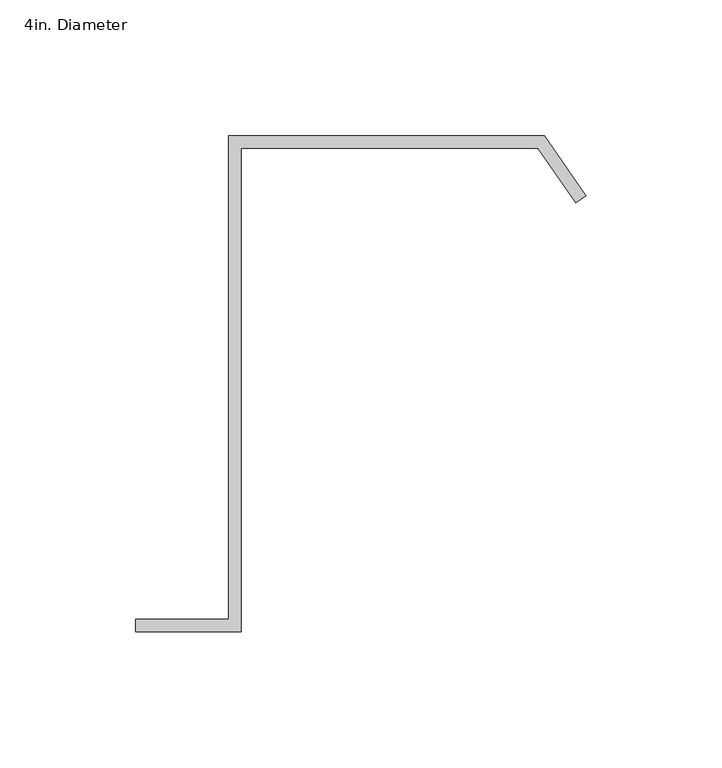
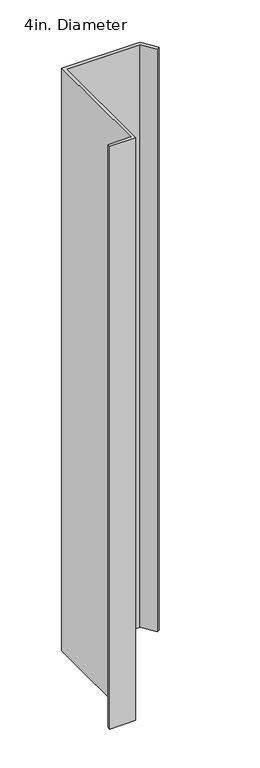
"""IFC4 building model written with IfcOpenShell, lengths in millimetres: proxy geometry, 4in. Diameter."""

import ifcopenshell
import ifcopenshell.guid

model = None  # the IFC model being written
_history = None  # IfcOwnerHistory: only IFC2X3 demands one
_inside = {}  # id of a spatial element -> (the spatial element, [elements in it])
_under = {}  # id of a project, library or spatial element -> (it, [spatial elements below it])
_declared = {}  # id of a project -> (the project, [libraries it declares])
_typed = {}  # id of a type object -> (the type object, [elements of that type])
_made_of = {}  # id of a material, layer set ... -> (it, [elements and type objects made of it])


def new_model(schema):
    """Start an empty IFC model of exactly this schema.

    Asked for "IFC4X3", IfcOpenShell would pick the latest addendum, in which some entities
    have other attributes; the version numbers below select the first issue.
    IFC2X3 requires an IfcOwnerHistory on every rooted entity: one is made here for all.
    """
    global model, _history
    if schema == "IFC4X3":
        model = ifcopenshell.file(schema_version=(4, 3, 0, 0))
    else:
        model = ifcopenshell.file(schema=schema)
    _inside.clear()
    _under.clear()
    _declared.clear()
    _typed.clear()
    _made_of.clear()
    _history = None
    if model.schema == "IFC2X3":
        org = make("IfcOrganization", Name="unknown")
        user = make(
            "IfcPersonAndOrganization",
            ThePerson=make("IfcPerson", FamilyName="unknown"),
            TheOrganization=org,
        )
        app = make(
            "IfcApplication",
            ApplicationDeveloper=org,
            Version="unknown",
            ApplicationFullName="unknown",
            ApplicationIdentifier="unknown",
        )
        _history = make(
            "IfcOwnerHistory",
            OwningUser=user,
            OwningApplication=app,
            ChangeAction="ADDED",
            CreationDate=0,
        )
    return model


def make(cls, **values):
    """One entity of the class cls with the attributes given. An attribute that is None is left unset."""
    return model.create_entity(
        cls, **{name: value for name, value in values.items() if value is not None}
    )


def rooted(cls, **values):
    """An entity with a GlobalId (a new one), such as an element, a storey or a relation."""
    return make(cls, GlobalId=ifcopenshell.guid.new(), OwnerHistory=_history, **values)


def si_unit(unit_type, name, prefix=None):
    """IfcSIUnit, for example si_unit("LENGTHUNIT", "METRE", prefix="MILLI")."""
    return make("IfcSIUnit", UnitType=unit_type, Prefix=prefix, Name=name)


def assignment(units):
    """IfcUnitAssignment: the units of a project."""
    return None if units is None else make("IfcUnitAssignment", Units=units)


def point(xyz):
    """IfcCartesianPoint."""
    return None if xyz is None else make("IfcCartesianPoint", Coordinates=xyz)


def direction(xyz):
    """IfcDirection."""
    return None if xyz is None else make("IfcDirection", DirectionRatios=xyz)


def frame(location, z_axis=None, x_axis=None):
    """IfcAxis2Placement3D, a coordinate frame: its origin and axes. An axis left out is left unset."""
    return make(
        "IfcAxis2Placement3D",
        Location=point(location),
        Axis=direction(z_axis),
        RefDirection=direction(x_axis),
    )


def origin():
    """The frame at (0, 0, 0) with its axes left unset."""
    return frame((0.0, 0.0, 0.0))


def origin_with_axes():
    """The frame at (0, 0, 0) with the z axis (0, 0, 1) and the x axis (1, 0, 0) written out."""
    return frame((0.0, 0.0, 0.0), z_axis=(0.0, 0.0, 1.0), x_axis=(1.0, 0.0, 0.0))


def place(relative_to, where):
    """IfcLocalPlacement: puts the frame where relative to a parent placement (None: the world)."""
    return make(
        "IfcLocalPlacement", PlacementRelTo=relative_to, RelativePlacement=where
    )


def context(
    kind, dimensions, precision=None, world=None, true_north=None, identifier=None
):
    """IfcGeometricRepresentationContext, for example the 3D "Model" context."""
    return make(
        "IfcGeometricRepresentationContext",
        ContextIdentifier=identifier,
        ContextType=kind,
        CoordinateSpaceDimension=dimensions,
        Precision=precision,
        WorldCoordinateSystem=world,
        TrueNorth=true_north,
    )


def project(units=None, contexts=None):
    """IfcProject with its units and contexts."""
    return rooted(
        "IfcProject",
        Name="project",
        RepresentationContexts=contexts,
        UnitsInContext=assignment(units),
    )


def spatial(cls, under=None, at=None, **own):
    """A site, building, storey or space (cls), placed at a placement, below another one or the project."""
    s = rooted(cls, ObjectPlacement=at, **own)
    if under is not None:
        _under.setdefault(under.id(), (under, []))[1].append(s)
    return s


def polyline(points):
    """IfcPolyline through the points."""
    return make("IfcPolyline", Points=[point(p) for p in points])


def outline(outer, holes=None, kind="AREA"):
    """IfcArbitraryClosedProfileDef: a profile drawn as a closed curve; with holes, ...WithVoids."""
    if holes is None:
        return make("IfcArbitraryClosedProfileDef", ProfileType=kind, OuterCurve=outer)
    return make(
        "IfcArbitraryProfileDefWithVoids",
        ProfileType=kind,
        OuterCurve=outer,
        InnerCurves=holes,
    )


def extrude(swept, where, along, depth):
    """IfcExtrudedAreaSolid: the profile swept, set in the frame where, extruded along a direction by depth."""
    return make(
        "IfcExtrudedAreaSolid",
        SweptArea=swept,
        Position=where,
        ExtrudedDirection=direction(along),
        Depth=depth,
    )


def shape(context_of_items, identifier, shape_type, items):
    """IfcShapeRepresentation: the items that make up one representation, for example the "Body"."""
    return make(
        "IfcShapeRepresentation",
        ContextOfItems=context_of_items,
        RepresentationIdentifier=identifier,
        RepresentationType=shape_type,
        Items=items,
    )


def source(mapping_origin, context_of_items, identifier, shape_type, items):
    """IfcRepresentationMap: a shape defined once, which mapped items show again and again."""
    return make(
        "IfcRepresentationMap",
        MappingOrigin=mapping_origin,
        MappedRepresentation=shape(context_of_items, identifier, shape_type, items),
    )


def transform(
    local_origin,
    x_axis=None,
    y_axis=None,
    z_axis=None,
    scale=None,
    scale2=None,
    scale3=None,
    uniform=True,
):
    """IfcCartesianTransformationOperator3D, or its non-uniform kind. x_axis, y_axis, z_axis: its Axis1, 2, 3."""
    if uniform:
        return make(
            "IfcCartesianTransformationOperator3D",
            Axis1=direction(x_axis),
            Axis2=direction(y_axis),
            LocalOrigin=point(local_origin),
            Scale=scale,
            Axis3=direction(z_axis),
        )
    return make(
        "IfcCartesianTransformationOperator3DnonUniform",
        Axis1=direction(x_axis),
        Axis2=direction(y_axis),
        LocalOrigin=point(local_origin),
        Scale=scale,
        Axis3=direction(z_axis),
        Scale2=scale2,
        Scale3=scale3,
    )


def mapped(mapping_source, mapping_target):
    """IfcMappedItem: shows the shape of a source again, moved by a transform."""
    return make(
        "IfcMappedItem", MappingSource=mapping_source, MappingTarget=mapping_target
    )


def made_of(thing, what):
    """Note that an element or type object is made of a material, layer set ...; save() writes the relation."""
    if what is not None:
        _made_of.setdefault(what.id(), (what, []))[1].append(thing)
    return thing


def element(
    cls,
    number,
    at=None,
    inside=None,
    cuts=None,
    type_object=None,
    material=None,
    context=None,
    identifier="Body",
    shape_type=None,
    held_by="IfcProductDefinitionShape",
    body=None,
    shapes=None,
    **own,
):
    """One element of the class cls, such as IfcWall. Its Tag is "e" and its number.

    at: its placement. inside: the storey or other place that contains it. cuts: it is an
    opening in that element (IfcRelVoidsElement). A single representation is given by context,
    identifier, shape_type and body (its items); several are given by shapes. held_by: the class
    of the entity that holds the representations. save() writes the other relations.
    """
    e = rooted(cls, Tag="e%d" % number, ObjectPlacement=at, **own)
    if body is not None:
        shapes = [shape(context, identifier, shape_type, body)]
    if shapes is not None:
        e.Representation = make(held_by, Representations=shapes)
    if inside is not None:
        _inside.setdefault(inside.id(), (inside, []))[1].append(e)
    if cuts is not None:
        rooted(
            "IfcRelVoidsElement", RelatingBuildingElement=cuts, RelatedOpeningElement=e
        )
    if type_object is not None:
        _typed.setdefault(type_object.id(), (type_object, []))[1].append(e)
    return made_of(e, material)


def aggregate(whole, parts):
    """IfcRelAggregates: a whole, such as a stair, and the parts it consists of."""
    return rooted("IfcRelAggregates", RelatingObject=whole, RelatedObjects=parts)


def save(model, path):
    """Write the relations noted so far, then the file.

    IfcRelAggregates (storeys below a building ...), IfcRelContainedInSpatialStructure (elements
    in a storey), IfcRelDefinesByType, IfcRelAssociatesMaterial and IfcRelDeclares: one each for
    every whole, place, type object, material and project.
    """
    for whole, parts in _under.values():
        aggregate(whole, parts)
    for where, things in _inside.values():
        rooted(
            "IfcRelContainedInSpatialStructure",
            RelatedElements=things,
            RelatingStructure=where,
        )
    for kind, things in _typed.values():
        rooted("IfcRelDefinesByType", RelatedObjects=things, RelatingType=kind)
    for what, things in _made_of.values():
        rooted("IfcRelAssociatesMaterial", RelatedObjects=things, RelatingMaterial=what)
    for by, libraries in _declared.values():
        rooted("IfcRelDeclares", RelatingContext=by, RelatedDefinitions=libraries)
    model.write(path)


def proxy_4in_diameter_266817fa(model_context):
    return source(origin(), model_context, "Body", "SweptSolid", [
        extrude(outline(polyline([(-48.3904232, -87.503), (-48.3904232, 90.297), (67.7763498, 90.297), (83.1815768, 68.296028), (79.436423, 65.6736558), (65.396319, 85.725), (-43.8184232, 85.725), (-43.8184232, -92.075), (-82.55, -92.075), (-82.55, -87.503), (-48.3904232, -87.503)])), origin_with_axes(), (0.0, 0.0, 1.0), 914.4),
    ])


if __name__ == "__main__":
    model = new_model("IFC4")
    model_context = context("Model", 3, world=origin())
    ifc_project = project(units=[si_unit("LENGTHUNIT", "METRE", prefix="MILLI")], contexts=[model_context])
    site = spatial("IfcSite", under=ifc_project)
    building = spatial("IfcBuilding", under=site)
    placement = place(None, origin())
    proxy_4in_diameter_shape = proxy_4in_diameter_266817fa(model_context)
    element("IfcBuildingElementProxy", 1, Name="4in. Diameter", ObjectType="4in. Diameter", at=placement, inside=building, context=model_context, shape_type="MappedRepresentation", body=[
        mapped(proxy_4in_diameter_shape, transform((0.0, 0.0, 0.0), x_axis=(1.0, 0.0, 0.0), y_axis=(0.0, 1.0, 0.0), z_axis=(0.0, 0.0, 1.0))),
    ])
    save(model, "model.ifc")
